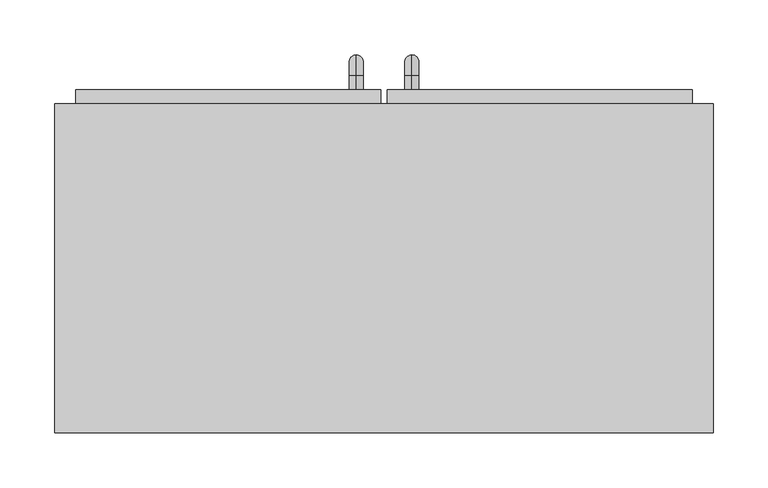
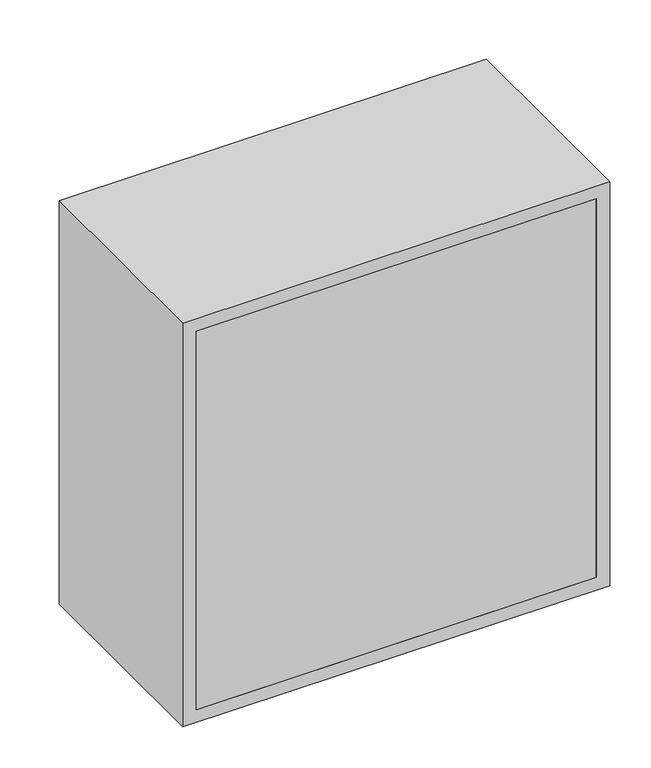
"""IFC4 building model written with IfcOpenShell, lengths in millimetres: furniture geometry."""

from ifc_helpers import new_model, si_unit, point, frame, origin, place, context, project, spatial, polyline, circle_curve, ellipse_curve, trimmed, outline, extrude, source, transform, mapped, element, save
from ifc_brep_helpers import plane_surface, cylinder_surface, revolved_surface, advanced_brep


def furniture_598b3d9f(model_context):
    return source(origin(), model_context, "Body", "SolidModel", [
        advanced_brep(
        [(55.1711628, 360.2, 1546.05), (55.1711628, 360.2, 1558.75), (55.1711628, 372.9, 1546.05), (55.1711628, 372.9, 1558.75), (55.1711628, 391.95, 1539.7), (55.1711628, 379.25, 1539.7), (55.1711628, 379.25, 1463.5), (55.1711628, 391.95, 1463.5), (55.1711628, 372.9, 1444.45), (55.1711628, 372.9, 1457.15), (55.1711628, 360.2, 1457.15), (55.1711628, 360.2, 1444.45)],
        [
            (0, 1, circle_curve(frame((55.1711628, 360.2, 1552.4), z_axis=(0.0, -1.0, 0.0), x_axis=(0.0, 0.0, -1.0)), 6.35)),
            (1, 0, circle_curve(frame((55.1711628, 360.2, 1552.4), z_axis=(0.0, -1.0, 0.0), x_axis=(0.0, 0.0, -1.0)), 6.35)),
            (0, 2),
            (2, 3, circle_curve(frame((55.1711628, 372.9, 1552.4), z_axis=(0.0, -1.0, 0.0), x_axis=(0.0, 0.0, -1.0)), 6.35)),
            (3, 1),
            (3, 2, circle_curve(frame((55.1711628, 372.9, 1552.4), z_axis=(0.0, -1.0, 0.0), x_axis=(0.0, 0.0, -1.0)), 6.35)),
            (4, 3, circle_curve(frame((55.1711628, 372.9, 1539.7), z_axis=(1.0, 0.0, 0.0), x_axis=(0.0, 0.0, 1.0)), 19.05)),
            (2, 5, circle_curve(frame((55.1711628, 372.9, 1539.7), z_axis=(-1.0, 0.0, 0.0), x_axis=(0.0, 0.0, 1.0)), 6.35)),
            (5, 4, circle_curve(frame((55.1711628, 385.6, 1539.7), z_axis=(0.0, 0.0, 1.0), x_axis=(0.0, -1.0, 0.0)), 6.35)),
            (4, 5, circle_curve(frame((55.1711628, 385.6, 1539.7), z_axis=(0.0, 0.0, 1.0), x_axis=(0.0, -1.0, 0.0)), 6.35)),
            (5, 6),
            (6, 7, circle_curve(frame((55.1711628, 385.6, 1463.5), z_axis=(0.0, 0.0, 1.0), x_axis=(0.0, -1.0, 0.0)), 6.35)),
            (7, 4),
            (7, 6, circle_curve(frame((55.1711628, 385.6, 1463.5), z_axis=(0.0, 0.0, 1.0), x_axis=(0.0, -1.0, 0.0)), 6.35)),
            (8, 7, circle_curve(frame((55.1711628, 372.9, 1463.5), z_axis=(1.0, 0.0, 0.0), x_axis=(0.0, 1.0, 0.0)), 19.05)),
            (6, 9, circle_curve(frame((55.1711628, 372.9, 1463.5), z_axis=(-1.0, 0.0, 0.0), x_axis=(0.0, 1.0, 0.0)), 6.35)),
            (9, 8, circle_curve(frame((55.1711628, 372.9, 1450.8), z_axis=(0.0, 1.0, 0.0), x_axis=(0.0, 0.0, 1.0)), 6.35)),
            (8, 9, circle_curve(frame((55.1711628, 372.9, 1450.8), z_axis=(0.0, 1.0, 0.0), x_axis=(0.0, 0.0, 1.0)), 6.35)),
            (10, 11, circle_curve(frame((55.1711628, 360.2, 1450.8), z_axis=(0.0, -1.0, 0.0), x_axis=(0.0, 0.0, 1.0)), 6.35)),
            (11, 10, circle_curve(frame((55.1711628, 360.2, 1450.8), z_axis=(0.0, -1.0, 0.0), x_axis=(0.0, 0.0, 1.0)), 6.35)),
            (9, 10),
            (11, 8),
        ],
        [
            plane_surface(frame((48.8211628, 360.2, 1552.4), z_axis=(0.0, -1.0, 0.0), x_axis=(0.0, 0.0, 1.0))),
            cylinder_surface(frame((55.1711628, 360.2, 1552.4), z_axis=(0.0, -1.0, 0.0), x_axis=(0.0, 0.0, -1.0)), 6.35),
            revolved_surface(trimmed(ellipse_curve(frame((55.1711628, 372.9, 1552.4), z_axis=(0.0, -1.0, 0.0), x_axis=(0.0, 0.0, -1.0)), 6.35, 6.35), [point((55.1711628, 372.9, 1546.05))], [point((55.1711628, 372.9, 1558.75))], True, "CARTESIAN"), (55.1711628, 372.9, 1539.7), (-1.0, 0.0, 0.0)),
            revolved_surface(trimmed(ellipse_curve(frame((55.1711628, 372.9, 1552.4), z_axis=(0.0, -1.0, 0.0), x_axis=(0.0, 0.0, -1.0)), 6.35, 6.35), [point((55.1711628, 372.9, 1558.75))], [point((55.1711628, 372.9, 1546.05))], True, "CARTESIAN"), (55.1711628, 372.9, 1539.7), (-1.0, 0.0, 0.0)),
            cylinder_surface(frame((55.1711628, 385.6, 1539.7), z_axis=(0.0, 0.0, 1.0), x_axis=(0.0, -1.0, 0.0)), 6.35),
            revolved_surface(trimmed(ellipse_curve(frame((55.1711628, 385.6, 1463.5), z_axis=(0.0, 0.0, 1.0), x_axis=(0.0, -1.0, 0.0)), 6.35, 6.35), [point((55.1711628, 379.25, 1463.5))], [point((55.1711628, 391.95, 1463.5))], True, "CARTESIAN"), (55.1711628, 372.9, 1463.5), (-1.0, 0.0, 0.0)),
            revolved_surface(trimmed(ellipse_curve(frame((55.1711628, 385.6, 1463.5), z_axis=(0.0, 0.0, 1.0), x_axis=(0.0, -1.0, 0.0)), 6.35, 6.35), [point((55.1711628, 391.95, 1463.5))], [point((55.1711628, 379.25, 1463.5))], True, "CARTESIAN"), (55.1711628, 372.9, 1463.5), (-1.0, 0.0, 0.0)),
            plane_surface(frame((48.8211628, 360.2, 1450.8), z_axis=(0.0, -1.0, 0.0), x_axis=(0.0, 0.0, -1.0))),
            cylinder_surface(frame((55.1711628, 372.9, 1450.8), z_axis=(0.0, 1.0, 0.0), x_axis=(0.0, 0.0, 1.0)), 6.35),
        ],
        [
            (0, [[1, 2]]),
            (1, [[-1, 3, 4, 5]]),
            (1, [[-2, -5, 6, -3]]),
            (2, [[7, -4, 8, 9]]),
            (3, [[-8, -6, -7, 10]]),
            (4, [[-9, 11, 12, 13]]),
            (4, [[-10, -13, 14, -11]]),
            (5, [[15, -12, 16, 17]]),
            (6, [[-16, -14, -15, 18]]),
            (7, [[19, 20]]),
            (8, [[-17, 21, -20, 22]]),
            (8, [[-18, -22, -19, -21]]),
        ],
    ),
        advanced_brep(
        [(4.3711628, 360.2, 1546.05), (4.3711628, 360.2, 1558.75), (4.3711628, 372.9, 1546.05), (4.3711628, 372.9, 1558.75), (4.3711628, 391.95, 1539.7), (4.3711628, 379.25, 1539.7), (4.3711628, 379.25, 1463.5), (4.3711628, 391.95, 1463.5), (4.3711628, 372.9, 1444.45), (4.3711628, 372.9, 1457.15), (4.3711628, 360.2, 1457.15), (4.3711628, 360.2, 1444.45)],
        [
            (0, 1, circle_curve(frame((4.3711628, 360.2, 1552.4), z_axis=(0.0, -1.0, 0.0), x_axis=(0.0, 0.0, 1.0)), 6.35)),
            (1, 0, circle_curve(frame((4.3711628, 360.2, 1552.4), z_axis=(0.0, -1.0, 0.0), x_axis=(0.0, 0.0, 1.0)), 6.35)),
            (0, 2),
            (2, 3, circle_curve(frame((4.3711628, 372.9, 1552.4), z_axis=(0.0, -1.0, 0.0), x_axis=(0.0, 0.0, 1.0)), 6.35)),
            (3, 1),
            (3, 2, circle_curve(frame((4.3711628, 372.9, 1552.4), z_axis=(0.0, -1.0, 0.0), x_axis=(0.0, 0.0, 1.0)), 6.35)),
            (4, 3, circle_curve(frame((4.3711628, 372.9, 1539.7), z_axis=(1.0, 0.0, 0.0), x_axis=(0.0, 0.0, 1.0)), 19.05)),
            (2, 5, circle_curve(frame((4.3711628, 372.9, 1539.7), z_axis=(-1.0, 0.0, 0.0), x_axis=(0.0, 0.0, 1.0)), 6.35)),
            (5, 4, circle_curve(frame((4.3711628, 385.6, 1539.7), z_axis=(0.0, 0.0, 1.0), x_axis=(0.0, 1.0, 0.0)), 6.35)),
            (4, 5, circle_curve(frame((4.3711628, 385.6, 1539.7), z_axis=(0.0, 0.0, 1.0), x_axis=(0.0, 1.0, 0.0)), 6.35)),
            (5, 6),
            (6, 7, circle_curve(frame((4.3711628, 385.6, 1463.5), z_axis=(0.0, 0.0, 1.0), x_axis=(0.0, 1.0, 0.0)), 6.35)),
            (7, 4),
            (7, 6, circle_curve(frame((4.3711628, 385.6, 1463.5), z_axis=(0.0, 0.0, 1.0), x_axis=(0.0, 1.0, 0.0)), 6.35)),
            (8, 7, circle_curve(frame((4.3711628, 372.9, 1463.5), z_axis=(1.0, 0.0, 0.0), x_axis=(0.0, 1.0, 0.0)), 19.05)),
            (6, 9, circle_curve(frame((4.3711628, 372.9, 1463.5), z_axis=(-1.0, 0.0, 0.0), x_axis=(0.0, 1.0, 0.0)), 6.35)),
            (9, 8, circle_curve(frame((4.3711628, 372.9, 1450.8), z_axis=(0.0, 1.0, 0.0), x_axis=(0.0, 0.0, -1.0)), 6.35)),
            (8, 9, circle_curve(frame((4.3711628, 372.9, 1450.8), z_axis=(0.0, 1.0, 0.0), x_axis=(0.0, 0.0, -1.0)), 6.35)),
            (10, 11, circle_curve(frame((4.3711628, 360.2, 1450.8), z_axis=(0.0, -1.0, 0.0), x_axis=(0.0, 0.0, -1.0)), 6.35)),
            (11, 10, circle_curve(frame((4.3711628, 360.2, 1450.8), z_axis=(0.0, -1.0, 0.0), x_axis=(0.0, 0.0, -1.0)), 6.35)),
            (9, 10),
            (11, 8),
        ],
        [
            plane_surface(frame((-1.9788372, 360.2, 1552.4), z_axis=(0.0, -1.0, 0.0), x_axis=(0.0, 0.0, 1.0))),
            cylinder_surface(frame((4.3711628, 360.2, 1552.4), z_axis=(0.0, -1.0, 0.0), x_axis=(0.0, 0.0, 1.0)), 6.35),
            revolved_surface(trimmed(ellipse_curve(frame((4.3711628, 372.9, 1552.4), z_axis=(0.0, -1.0, 0.0), x_axis=(0.0, 0.0, 1.0)), 6.35, 6.35), [point((4.3711628, 372.9, 1546.05))], [point((4.3711628, 372.9, 1558.75))], True, "CARTESIAN"), (4.3711628, 372.9, 1539.7), (-1.0, 0.0, 0.0)),
            revolved_surface(trimmed(ellipse_curve(frame((4.3711628, 372.9, 1552.4), z_axis=(0.0, -1.0, 0.0), x_axis=(0.0, 0.0, 1.0)), 6.35, 6.35), [point((4.3711628, 372.9, 1558.75))], [point((4.3711628, 372.9, 1546.05))], True, "CARTESIAN"), (4.3711628, 372.9, 1539.7), (-1.0, 0.0, 0.0)),
            cylinder_surface(frame((4.3711628, 385.6, 1539.7), z_axis=(0.0, 0.0, 1.0), x_axis=(0.0, 1.0, 0.0)), 6.35),
            revolved_surface(trimmed(ellipse_curve(frame((4.3711628, 385.6, 1463.5), z_axis=(0.0, 0.0, 1.0), x_axis=(0.0, 1.0, 0.0)), 6.35, 6.35), [point((4.3711628, 379.25, 1463.5))], [point((4.3711628, 391.95, 1463.5))], True, "CARTESIAN"), (4.3711628, 372.9, 1463.5), (-1.0, 0.0, 0.0)),
            revolved_surface(trimmed(ellipse_curve(frame((4.3711628, 385.6, 1463.5), z_axis=(0.0, 0.0, 1.0), x_axis=(0.0, 1.0, 0.0)), 6.35, 6.35), [point((4.3711628, 391.95, 1463.5))], [point((4.3711628, 379.25, 1463.5))], True, "CARTESIAN"), (4.3711628, 372.9, 1463.5), (-1.0, 0.0, 0.0)),
            plane_surface(frame((-1.9788372, 360.2, 1450.8), z_axis=(0.0, -1.0, 0.0), x_axis=(0.0, 0.0, -1.0))),
            cylinder_surface(frame((4.3711628, 372.9, 1450.8), z_axis=(0.0, 1.0, 0.0), x_axis=(0.0, 0.0, -1.0)), 6.35),
        ],
        [
            (0, [[1, 2]]),
            (1, [[-1, 3, 4, 5]]),
            (1, [[-2, -5, 6, -3]]),
            (2, [[7, -4, 8, 9]]),
            (3, [[-8, -6, -7, 10]]),
            (4, [[-9, 11, 12, 13]]),
            (4, [[-10, -13, 14, -11]]),
            (5, [[15, -12, 16, 17]]),
            (6, [[-16, -14, -15, 18]]),
            (7, [[19, 20]]),
            (8, [[-17, 21, -20, 22]]),
            (8, [[-18, -22, -19, -21]]),
        ],
    ),
        extrude(outline(polyline([(32.9461628, 360.2), (310.7211628, 360.2), (310.7211628, 328.45), (32.9461628, 328.45), (32.9461628, 360.2)])), frame((0.0, 0.0, 1419.05), z_axis=(0.0, 0.0, 1.0), x_axis=(1.0, 0.0, 0.0)), (0.0, 0.0, 1.0), 561.9),
        extrude(outline(polyline([(-251.1788372, 360.2), (26.5961628, 360.2), (26.5961628, 328.45), (-251.1788372, 328.45), (-251.1788372, 360.2)])), frame((0.0, 0.0, 1419.05), z_axis=(0.0, 0.0, 1.0), x_axis=(1.0, 0.0, 0.0)), (0.0, 0.0, 1.0), 561.9),
        extrude(outline(polyline([(310.7211628, 47.5), (-251.1788372, 47.5), (-251.1788372, 66.55), (310.7211628, 66.55), (310.7211628, 47.5)])), frame((0.0, 0.0, 1419.05), z_axis=(0.0, 0.0, 1.0), x_axis=(1.0, 0.0, 0.0)), (0.0, 0.0, 1.0), 561.9),
        extrude(outline(polyline([(2000.0, -270.2288372), (1400.0, -270.2288372), (1400.0, 329.7711628), (2000.0, 329.7711628), (2000.0, -270.2288372)]), holes=[polyline([(1980.95, -251.1788372), (1980.95, 310.7211628), (1419.05, 310.7211628), (1419.05, -251.1788372), (1980.95, -251.1788372)])]), frame((0.0, 47.5, 0.0), z_axis=(0.0, 1.0, 0.0), x_axis=(0.0, 0.0, 1.0)), (0.0, 0.0, 1.0), 300.0),
    ])


if __name__ == "__main__":
    model = new_model("IFC4")
    model_context = context("Model", 3, world=origin())
    ifc_project = project(units=[si_unit("LENGTHUNIT", "METRE", prefix="MILLI")], contexts=[model_context])
    site = spatial("IfcSite", under=ifc_project)
    building = spatial("IfcBuilding", under=site)
    placement = place(None, origin())
    furniture_shape = furniture_598b3d9f(model_context)
    element("IfcFurniture", 1, at=placement, inside=building, context=model_context, shape_type="MappedRepresentation", body=[
        mapped(furniture_shape, transform((0.0, 0.0, 0.0), x_axis=(1.0, 0.0, 0.0), y_axis=(0.0, 1.0, 0.0), z_axis=(0.0, 0.0, 1.0))),
    ])
    save(model, "model.ifc")
